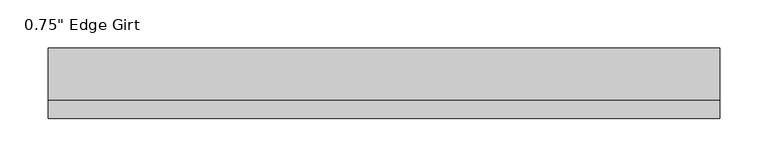
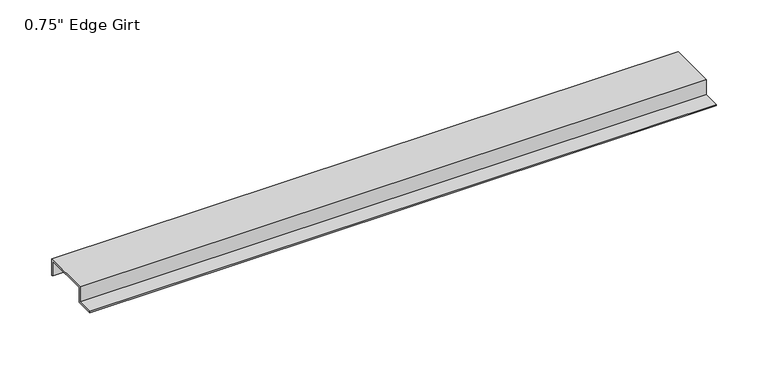
"""IFC4 building model written with IfcOpenShell, lengths in millimetres: proxy geometry."""

from ifc_helpers import new_model, si_unit, frame, origin, place, context, project, spatial, polyline, outline, extrude, source, transform, mapped, element, save


def proxy_23903f91(model_context):
    return source(origin(), model_context, "Body", "SweptSolid", [
        extrude(outline(polyline([(-46.0559645, -17.4375), (-46.0559645, -15.8242), (-27.0129, -15.8242), (-27.0129, 1.6129), (27.0129, 1.6129), (27.0129, -17.4375), (25.4, -17.4375), (25.4, 0.0), (-25.4, 0.0), (-25.4, -17.4375), (-46.0559645, -17.4375)])), frame((0.0, 0.0, 0.0), z_axis=(1.0, 0.0, 0.0), x_axis=(0.0, 1.0, 0.0)), (0.0, 0.0, 1.0), 695.3619291),
    ])


if __name__ == "__main__":
    model = new_model("IFC4")
    model_context = context("Model", 3, world=origin())
    ifc_project = project(units=[si_unit("LENGTHUNIT", "METRE", prefix="MILLI")], contexts=[model_context])
    site = spatial("IfcSite", under=ifc_project)
    building = spatial("IfcBuilding", under=site)
    placement = place(None, origin())
    proxy_shape = proxy_23903f91(model_context)
    element("IfcBuildingElementProxy", 1, Name="0.75\" Edge Girt", ObjectType="0.75\" Edge Girt", at=placement, inside=building, context=model_context, shape_type="MappedRepresentation", body=[
        mapped(proxy_shape, transform((0.0, 0.0, 0.0), x_axis=(1.0, 0.0, 0.0), y_axis=(0.0, 1.0, 0.0), z_axis=(0.0, 0.0, 1.0))),
    ])
    save(model, "model.ifc")
